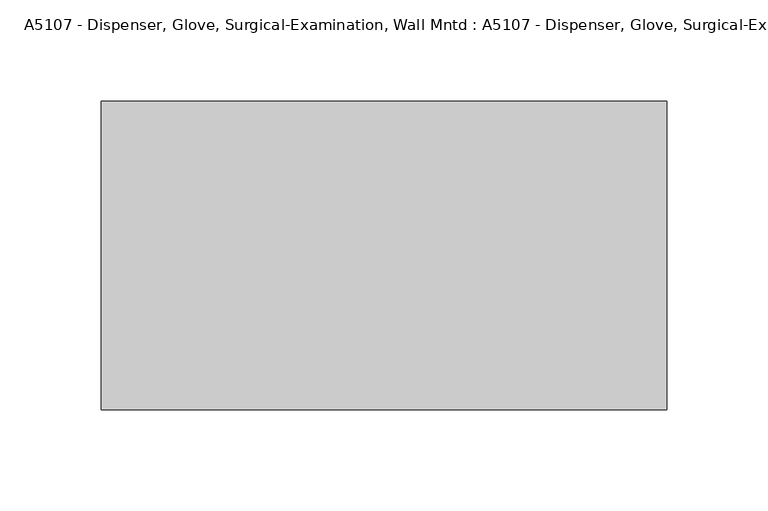
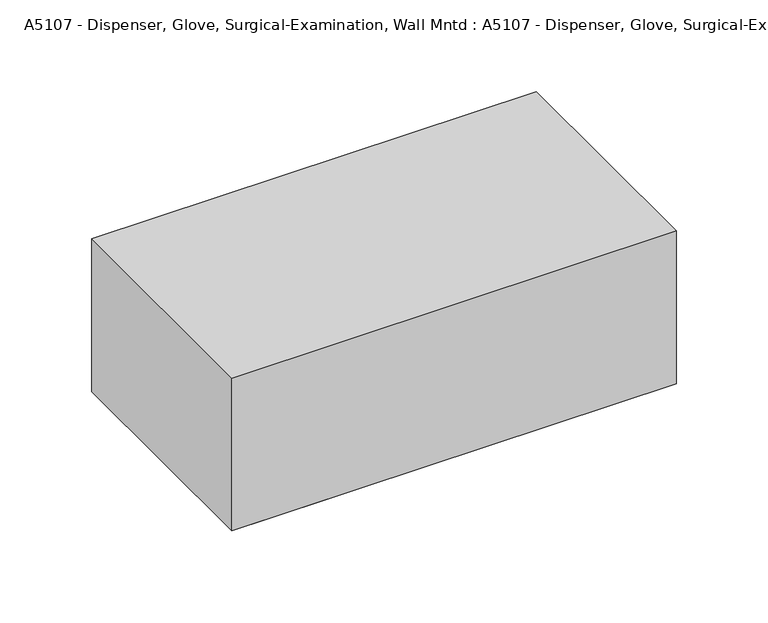
"""IFC4 building model written with IfcOpenShell, lengths in millimetres: proxy geometry, A5107 - Dispenser, Glove, Surgical-Examination, Wall Mntd : A5107 - Dispenser, Glove, Surgical-Examination, Wall Mntd."""

from ifc_helpers import new_model, si_unit, origin, origin_with_axes, place, context, project, spatial, polyline, outline, extrude, source, transform, mapped, element, save


def a5107_dispenser_glove_surgical_examination_wall_mntd_a5107_b5a94914(model_context):
    return source(origin(), model_context, "Body", "SweptSolid", [
        extrude(outline(polyline([(139.7, -76.2), (-139.7, -76.2), (-139.7, 76.2), (139.7, 76.2), (139.7, -76.2)])), origin_with_axes(), (0.0, 0.0, 1.0), 101.6),
        extrude(outline(polyline([(127.0, -76.2), (-127.0, -76.2), (-127.0, 76.2), (127.0, 76.2), (127.0, -76.2)])), origin_with_axes(), (0.0, 0.0, 1.0), 101.6),
    ])


if __name__ == "__main__":
    model = new_model("IFC4")
    model_context = context("Model", 3, world=origin())
    ifc_project = project(units=[si_unit("LENGTHUNIT", "METRE", prefix="MILLI")], contexts=[model_context])
    site = spatial("IfcSite", under=ifc_project)
    building = spatial("IfcBuilding", under=site)
    placement = place(None, origin())
    a5107_dispenser_glove_surgical_examination_wall_mntd_a5107_shape = a5107_dispenser_glove_surgical_examination_wall_mntd_a5107_b5a94914(model_context)
    element("IfcBuildingElementProxy", 1, Name="A5107 - Dispenser, Glove, Surgical-Examination, Wall Mntd : A5107 - Dispenser, Glove, Surgical-Examination, Wall Mntd", ObjectType="A5107 - Dispenser, Glove, Surgical-Examination, Wall Mntd : A5107 - Dispenser, Glove, Surgical-Examination, Wall Mntd", at=placement, inside=building, context=model_context, shape_type="MappedRepresentation", body=[
        mapped(a5107_dispenser_glove_surgical_examination_wall_mntd_a5107_shape, transform((0.0, 0.0, 0.0), x_axis=(1.0, 0.0, 0.0), y_axis=(0.0, 1.0, 0.0), z_axis=(0.0, 0.0, 1.0))),
    ])
    save(model, "model.ifc")
